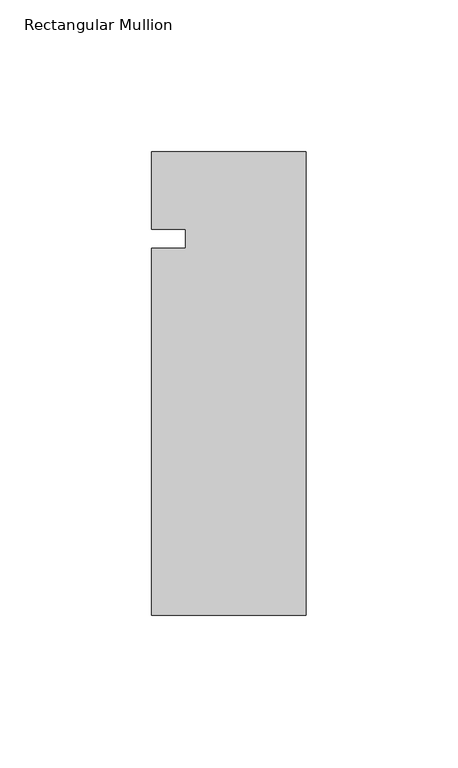
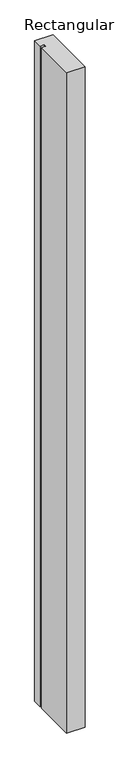
"""IFC4 building model written with IfcOpenShell, lengths in millimetres: member geometry, Rectangular Mullion."""

from ifc_helpers import new_model, si_unit, frame, origin, place, context, project, spatial, polyline, outline, extrude, source, transform, mapped, element, save


def rectangular_mullion_ea6ef358(model_context):
    return source(origin(), model_context, "Body", "SweptSolid", [
        extrude(outline(polyline([(-50.8, -31.75), (-39.7002, -31.75), (-39.7002, -25.4), (-50.8, -25.4), (-50.8, 0.0), (0.0, 0.0), (0.0, -152.4), (-50.8, -152.4), (-50.8, -31.75)])), frame((0.0, 0.0, -1930.400584), z_axis=(0.0, 0.0, 1.0), x_axis=(1.0, 0.0, 0.0)), (0.0, 0.0, 1.0), 1930.400584),
    ])


if __name__ == "__main__":
    model = new_model("IFC4")
    model_context = context("Model", 3, world=origin())
    ifc_project = project(units=[si_unit("LENGTHUNIT", "METRE", prefix="MILLI")], contexts=[model_context])
    site = spatial("IfcSite", under=ifc_project)
    building = spatial("IfcBuilding", under=site)
    placement = place(None, origin())
    rectangular_mullion_shape = rectangular_mullion_ea6ef358(model_context)
    element("IfcMember", 1, ObjectType="Rectangular Mullion", at=placement, inside=building, context=model_context, shape_type="MappedRepresentation", body=[
        mapped(rectangular_mullion_shape, transform((0.0, 0.0, 0.0), x_axis=(1.0, 0.0, 0.0), y_axis=(0.0, 1.0, 0.0), z_axis=(0.0, 0.0, 1.0))),
    ])
    save(model, "model.ifc")
